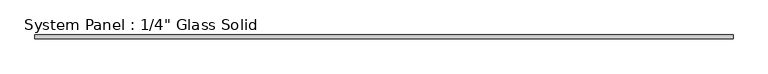
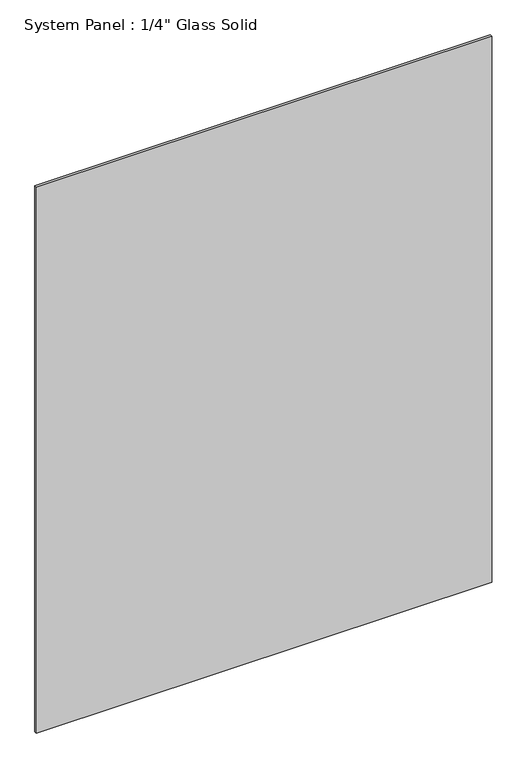
"""IFC4 building model written with IfcOpenShell, lengths in millimetres: plate geometry."""

from ifc_helpers import new_model, si_unit, origin, origin_with_axes, place, context, project, spatial, polyline, outline, extrude, source, transform, mapped, element, save


def plate_4c7dcc0c(model_context):
    return source(origin(), model_context, "Body", "SweptSolid", [
        extrude(outline(polyline([(561.3970691, -3.175), (-561.3970691, -3.175), (-561.3970691, 3.175), (561.3970691, 3.175), (561.3970691, -3.175)])), origin_with_axes(), (0.0, 0.0, 1.0), 1422.2894027),
    ])


if __name__ == "__main__":
    model = new_model("IFC4")
    model_context = context("Model", 3, world=origin())
    ifc_project = project(units=[si_unit("LENGTHUNIT", "METRE", prefix="MILLI")], contexts=[model_context])
    site = spatial("IfcSite", under=ifc_project)
    building = spatial("IfcBuilding", under=site)
    placement = place(None, origin())
    plate_shape = plate_4c7dcc0c(model_context)
    element("IfcPlate", 1, ObjectType="System Panel : 1/4\" Glass Solid", at=placement, inside=building, context=model_context, shape_type="MappedRepresentation", body=[
        mapped(plate_shape, transform((0.0, 0.0, 0.0), x_axis=(1.0, 0.0, 0.0), y_axis=(0.0, 1.0, 0.0), z_axis=(0.0, 0.0, 1.0))),
    ])
    save(model, "model.ifc")
